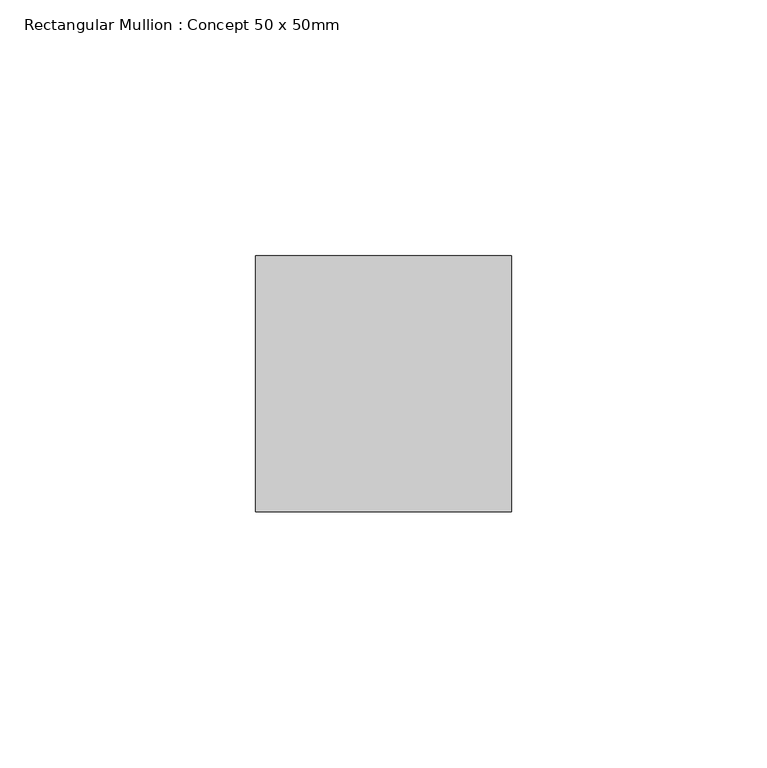
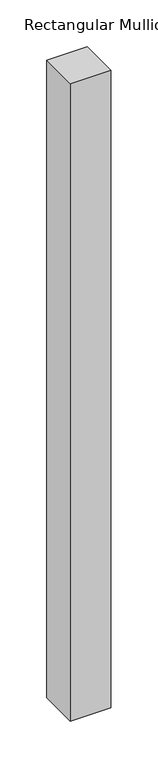
"""IFC4 building model written with IfcOpenShell, lengths in millimetres: member geometry, Rectangular Mullion : Concept 50 x 50mm."""

from ifc_helpers import new_model, si_unit, frame, origin, place, context, project, spatial, polyline, outline, extrude, source, transform, mapped, element, save


def rectangular_mullion_concept_50_x_50mm_2bf16f83(model_context):
    return source(origin(), model_context, "Body", "SweptSolid", [
        extrude(outline(polyline([(25.0, 50.0), (25.0, 0.0), (-25.0, 0.0), (-25.0, 50.0), (25.0, 50.0)])), frame((0.0, 0.0, -830.0), z_axis=(0.0, 0.0, 1.0), x_axis=(1.0, 0.0, 0.0)), (0.0, 0.0, 1.0), 830.0),
    ])


if __name__ == "__main__":
    model = new_model("IFC4")
    model_context = context("Model", 3, world=origin())
    ifc_project = project(units=[si_unit("LENGTHUNIT", "METRE", prefix="MILLI")], contexts=[model_context])
    site = spatial("IfcSite", under=ifc_project)
    building = spatial("IfcBuilding", under=site)
    placement = place(None, origin())
    rectangular_mullion_concept_50_x_50mm_shape = rectangular_mullion_concept_50_x_50mm_2bf16f83(model_context)
    element("IfcMember", 1, ObjectType="Rectangular Mullion : Concept 50 x 50mm", at=placement, inside=building, context=model_context, shape_type="MappedRepresentation", body=[
        mapped(rectangular_mullion_concept_50_x_50mm_shape, transform((0.0, 0.0, 0.0), x_axis=(1.0, 0.0, 0.0), y_axis=(0.0, 1.0, 0.0), z_axis=(0.0, 0.0, 1.0))),
    ])
    save(model, "model.ifc")
